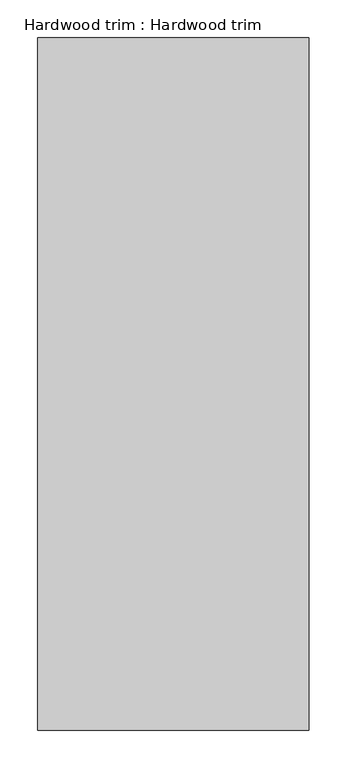
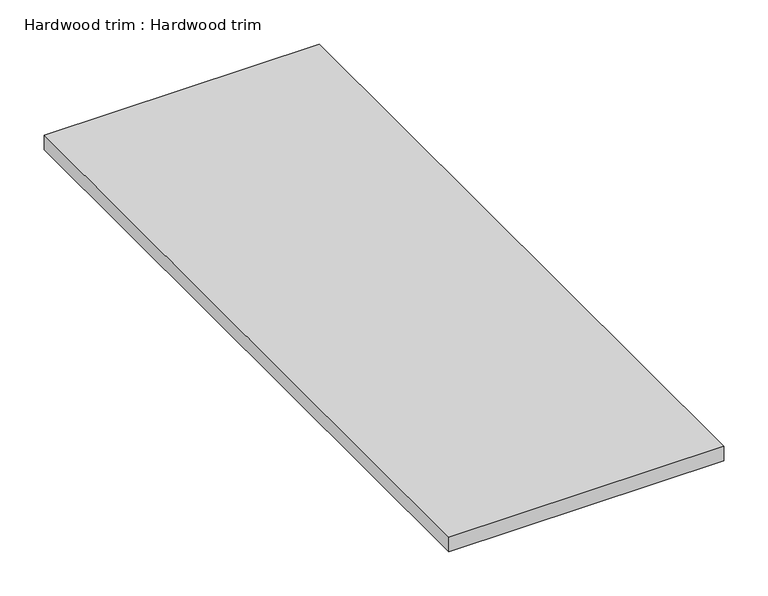
"""IFC4 building model written with IfcOpenShell, lengths in millimetres: proxy geometry, Hardwood trim : Hardwood trim."""

import ifcopenshell
import ifcopenshell.guid

model = None  # the IFC model being written
_history = None  # IfcOwnerHistory: only IFC2X3 demands one
_inside = {}  # id of a spatial element -> (the spatial element, [elements in it])
_under = {}  # id of a project, library or spatial element -> (it, [spatial elements below it])
_declared = {}  # id of a project -> (the project, [libraries it declares])
_typed = {}  # id of a type object -> (the type object, [elements of that type])
_made_of = {}  # id of a material, layer set ... -> (it, [elements and type objects made of it])


def new_model(schema):
    """Start an empty IFC model of exactly this schema.

    Asked for "IFC4X3", IfcOpenShell would pick the latest addendum, in which some entities
    have other attributes; the version numbers below select the first issue.
    IFC2X3 requires an IfcOwnerHistory on every rooted entity: one is made here for all.
    """
    global model, _history
    if schema == "IFC4X3":
        model = ifcopenshell.file(schema_version=(4, 3, 0, 0))
    else:
        model = ifcopenshell.file(schema=schema)
    _inside.clear()
    _under.clear()
    _declared.clear()
    _typed.clear()
    _made_of.clear()
    _history = None
    if model.schema == "IFC2X3":
        org = make("IfcOrganization", Name="unknown")
        user = make(
            "IfcPersonAndOrganization",
            ThePerson=make("IfcPerson", FamilyName="unknown"),
            TheOrganization=org,
        )
        app = make(
            "IfcApplication",
            ApplicationDeveloper=org,
            Version="unknown",
            ApplicationFullName="unknown",
            ApplicationIdentifier="unknown",
        )
        _history = make(
            "IfcOwnerHistory",
            OwningUser=user,
            OwningApplication=app,
            ChangeAction="ADDED",
            CreationDate=0,
        )
    return model


def make(cls, **values):
    """One entity of the class cls with the attributes given. An attribute that is None is left unset."""
    return model.create_entity(
        cls, **{name: value for name, value in values.items() if value is not None}
    )


def rooted(cls, **values):
    """An entity with a GlobalId (a new one), such as an element, a storey or a relation."""
    return make(cls, GlobalId=ifcopenshell.guid.new(), OwnerHistory=_history, **values)


def si_unit(unit_type, name, prefix=None):
    """IfcSIUnit, for example si_unit("LENGTHUNIT", "METRE", prefix="MILLI")."""
    return make("IfcSIUnit", UnitType=unit_type, Prefix=prefix, Name=name)


def assignment(units):
    """IfcUnitAssignment: the units of a project."""
    return None if units is None else make("IfcUnitAssignment", Units=units)


def point(xyz):
    """IfcCartesianPoint."""
    return None if xyz is None else make("IfcCartesianPoint", Coordinates=xyz)


def direction(xyz):
    """IfcDirection."""
    return None if xyz is None else make("IfcDirection", DirectionRatios=xyz)


def frame(location, z_axis=None, x_axis=None):
    """IfcAxis2Placement3D, a coordinate frame: its origin and axes. An axis left out is left unset."""
    return make(
        "IfcAxis2Placement3D",
        Location=point(location),
        Axis=direction(z_axis),
        RefDirection=direction(x_axis),
    )


def origin():
    """The frame at (0, 0, 0) with its axes left unset."""
    return frame((0.0, 0.0, 0.0))


def place(relative_to, where):
    """IfcLocalPlacement: puts the frame where relative to a parent placement (None: the world)."""
    return make(
        "IfcLocalPlacement", PlacementRelTo=relative_to, RelativePlacement=where
    )


def context(
    kind, dimensions, precision=None, world=None, true_north=None, identifier=None
):
    """IfcGeometricRepresentationContext, for example the 3D "Model" context."""
    return make(
        "IfcGeometricRepresentationContext",
        ContextIdentifier=identifier,
        ContextType=kind,
        CoordinateSpaceDimension=dimensions,
        Precision=precision,
        WorldCoordinateSystem=world,
        TrueNorth=true_north,
    )


def project(units=None, contexts=None):
    """IfcProject with its units and contexts."""
    return rooted(
        "IfcProject",
        Name="project",
        RepresentationContexts=contexts,
        UnitsInContext=assignment(units),
    )


def spatial(cls, under=None, at=None, **own):
    """A site, building, storey or space (cls), placed at a placement, below another one or the project."""
    s = rooted(cls, ObjectPlacement=at, **own)
    if under is not None:
        _under.setdefault(under.id(), (under, []))[1].append(s)
    return s


def polyline(points):
    """IfcPolyline through the points."""
    return make("IfcPolyline", Points=[point(p) for p in points])


def outline(outer, holes=None, kind="AREA"):
    """IfcArbitraryClosedProfileDef: a profile drawn as a closed curve; with holes, ...WithVoids."""
    if holes is None:
        return make("IfcArbitraryClosedProfileDef", ProfileType=kind, OuterCurve=outer)
    return make(
        "IfcArbitraryProfileDefWithVoids",
        ProfileType=kind,
        OuterCurve=outer,
        InnerCurves=holes,
    )


def extrude(swept, where, along, depth):
    """IfcExtrudedAreaSolid: the profile swept, set in the frame where, extruded along a direction by depth."""
    return make(
        "IfcExtrudedAreaSolid",
        SweptArea=swept,
        Position=where,
        ExtrudedDirection=direction(along),
        Depth=depth,
    )


def shape(context_of_items, identifier, shape_type, items):
    """IfcShapeRepresentation: the items that make up one representation, for example the "Body"."""
    return make(
        "IfcShapeRepresentation",
        ContextOfItems=context_of_items,
        RepresentationIdentifier=identifier,
        RepresentationType=shape_type,
        Items=items,
    )


def source(mapping_origin, context_of_items, identifier, shape_type, items):
    """IfcRepresentationMap: a shape defined once, which mapped items show again and again."""
    return make(
        "IfcRepresentationMap",
        MappingOrigin=mapping_origin,
        MappedRepresentation=shape(context_of_items, identifier, shape_type, items),
    )


def transform(
    local_origin,
    x_axis=None,
    y_axis=None,
    z_axis=None,
    scale=None,
    scale2=None,
    scale3=None,
    uniform=True,
):
    """IfcCartesianTransformationOperator3D, or its non-uniform kind. x_axis, y_axis, z_axis: its Axis1, 2, 3."""
    if uniform:
        return make(
            "IfcCartesianTransformationOperator3D",
            Axis1=direction(x_axis),
            Axis2=direction(y_axis),
            LocalOrigin=point(local_origin),
            Scale=scale,
            Axis3=direction(z_axis),
        )
    return make(
        "IfcCartesianTransformationOperator3DnonUniform",
        Axis1=direction(x_axis),
        Axis2=direction(y_axis),
        LocalOrigin=point(local_origin),
        Scale=scale,
        Axis3=direction(z_axis),
        Scale2=scale2,
        Scale3=scale3,
    )


def mapped(mapping_source, mapping_target):
    """IfcMappedItem: shows the shape of a source again, moved by a transform."""
    return make(
        "IfcMappedItem", MappingSource=mapping_source, MappingTarget=mapping_target
    )


def made_of(thing, what):
    """Note that an element or type object is made of a material, layer set ...; save() writes the relation."""
    if what is not None:
        _made_of.setdefault(what.id(), (what, []))[1].append(thing)
    return thing


def element(
    cls,
    number,
    at=None,
    inside=None,
    cuts=None,
    type_object=None,
    material=None,
    context=None,
    identifier="Body",
    shape_type=None,
    held_by="IfcProductDefinitionShape",
    body=None,
    shapes=None,
    **own,
):
    """One element of the class cls, such as IfcWall. Its Tag is "e" and its number.

    at: its placement. inside: the storey or other place that contains it. cuts: it is an
    opening in that element (IfcRelVoidsElement). A single representation is given by context,
    identifier, shape_type and body (its items); several are given by shapes. held_by: the class
    of the entity that holds the representations. save() writes the other relations.
    """
    e = rooted(cls, Tag="e%d" % number, ObjectPlacement=at, **own)
    if body is not None:
        shapes = [shape(context, identifier, shape_type, body)]
    if shapes is not None:
        e.Representation = make(held_by, Representations=shapes)
    if inside is not None:
        _inside.setdefault(inside.id(), (inside, []))[1].append(e)
    if cuts is not None:
        rooted(
            "IfcRelVoidsElement", RelatingBuildingElement=cuts, RelatedOpeningElement=e
        )
    if type_object is not None:
        _typed.setdefault(type_object.id(), (type_object, []))[1].append(e)
    return made_of(e, material)


def aggregate(whole, parts):
    """IfcRelAggregates: a whole, such as a stair, and the parts it consists of."""
    return rooted("IfcRelAggregates", RelatingObject=whole, RelatedObjects=parts)


def save(model, path):
    """Write the relations noted so far, then the file.

    IfcRelAggregates (storeys below a building ...), IfcRelContainedInSpatialStructure (elements
    in a storey), IfcRelDefinesByType, IfcRelAssociatesMaterial and IfcRelDeclares: one each for
    every whole, place, type object, material and project.
    """
    for whole, parts in _under.values():
        aggregate(whole, parts)
    for where, things in _inside.values():
        rooted(
            "IfcRelContainedInSpatialStructure",
            RelatedElements=things,
            RelatingStructure=where,
        )
    for kind, things in _typed.values():
        rooted("IfcRelDefinesByType", RelatedObjects=things, RelatingType=kind)
    for what, things in _made_of.values():
        rooted("IfcRelAssociatesMaterial", RelatedObjects=things, RelatingMaterial=what)
    for by, libraries in _declared.values():
        rooted("IfcRelDeclares", RelatingContext=by, RelatedDefinitions=libraries)
    model.write(path)


def hardwood_trim_hardwood_trim_e169fbc5(model_context):
    return source(origin(), model_context, "Body", "SweptSolid", [
        extrude(outline(polyline([(37180.015625, -18662.4264268), (37538.790625, -18662.4264268), (37538.790625, -19576.8264268), (37180.015625, -19576.8264268), (37180.015625, -18662.4264268)])), frame((0.0, 0.0, 1324.4519254), z_axis=(0.0, 0.0, 1.0), x_axis=(1.0, 0.0, 0.0)), (0.0, 0.0, 1.0), 19.9396973),
    ])


if __name__ == "__main__":
    model = new_model("IFC4")
    model_context = context("Model", 3, world=origin())
    ifc_project = project(units=[si_unit("LENGTHUNIT", "METRE", prefix="MILLI")], contexts=[model_context])
    site = spatial("IfcSite", under=ifc_project)
    building = spatial("IfcBuilding", under=site)
    placement = place(None, origin())
    hardwood_trim_hardwood_trim_shape = hardwood_trim_hardwood_trim_e169fbc5(model_context)
    element("IfcBuildingElementProxy", 1, Name="Hardwood trim : Hardwood trim", ObjectType="Hardwood trim : Hardwood trim", at=placement, inside=building, context=model_context, shape_type="MappedRepresentation", body=[
        mapped(hardwood_trim_hardwood_trim_shape, transform((0.0, 0.0, 0.0), x_axis=(1.0, 0.0, 0.0), y_axis=(0.0, 1.0, 0.0), z_axis=(0.0, 0.0, 1.0))),
    ])
    save(model, "model.ifc")
